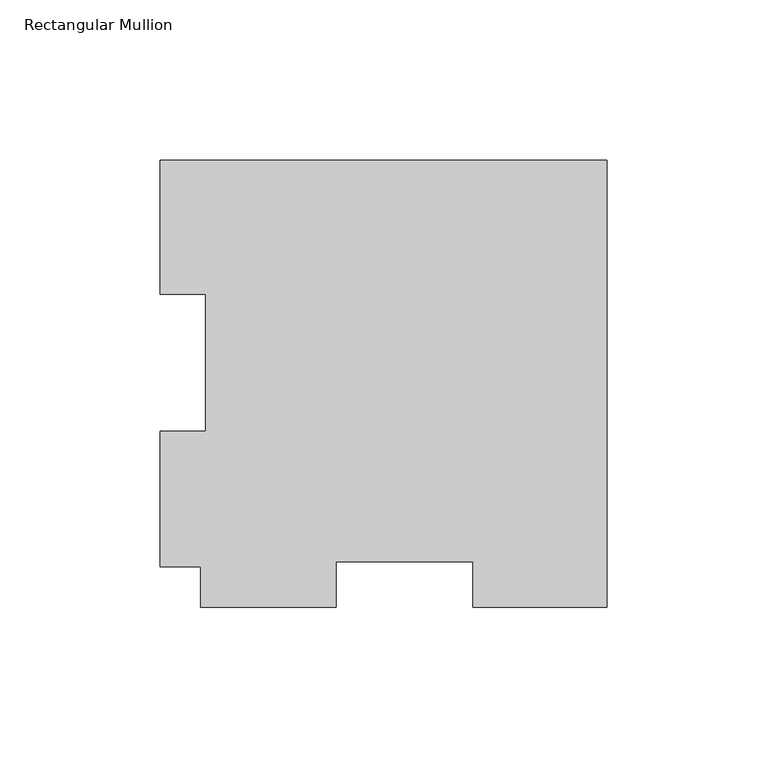
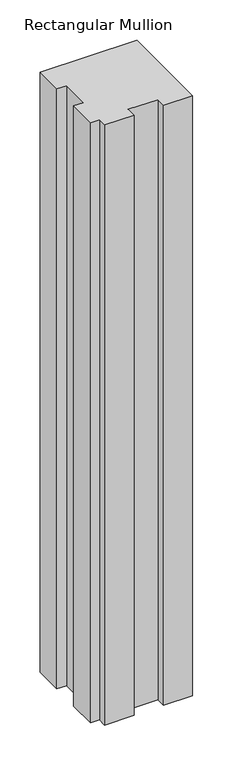
"""IFC4 building model written with IfcOpenShell, lengths in millimetres: member geometry, Rectangular Mullion."""

from ifc_helpers import new_model, si_unit, frame, origin, place, context, project, spatial, polyline, outline, extrude, source, transform, mapped, element, save


def rectangular_mullion_aed391fa(model_context):
    return source(origin(), model_context, "Body", "SweptSolid", [
        extrude(outline(polyline([(-139.7, 84.93125), (-139.7, 126.79045), (0.0, 126.79045), (0.0, -12.90955), (-41.8592, -12.90955), (-41.8592, 1.37795), (-84.709, 1.37795), (-84.709, -12.90955), (-127.0, -12.90955), (-127.0, -0.20955), (-139.7, -0.20955), (-139.7, 42.08145), (-125.4125, 42.08145), (-125.4125, 84.93125), (-139.7, 84.93125)])), frame((0.0, 0.0, -914.4), z_axis=(0.0, 0.0, 1.0), x_axis=(1.0, 0.0, 0.0)), (0.0, 0.0, 1.0), 914.4),
    ])


if __name__ == "__main__":
    model = new_model("IFC4")
    model_context = context("Model", 3, world=origin())
    ifc_project = project(units=[si_unit("LENGTHUNIT", "METRE", prefix="MILLI")], contexts=[model_context])
    site = spatial("IfcSite", under=ifc_project)
    building = spatial("IfcBuilding", under=site)
    placement = place(None, origin())
    rectangular_mullion_shape = rectangular_mullion_aed391fa(model_context)
    element("IfcMember", 1, ObjectType="Rectangular Mullion", at=placement, inside=building, context=model_context, shape_type="MappedRepresentation", body=[
        mapped(rectangular_mullion_shape, transform((0.0, 0.0, 0.0), x_axis=(1.0, 0.0, 0.0), y_axis=(0.0, 1.0, 0.0), z_axis=(0.0, 0.0, 1.0))),
    ])
    save(model, "model.ifc")
